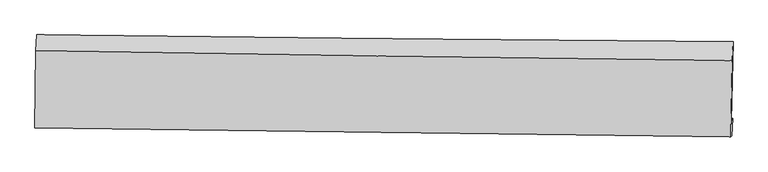
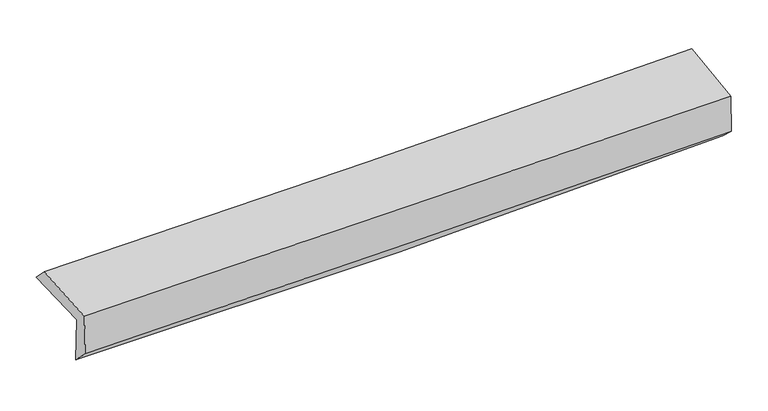
"""IFC4 building model written with IfcOpenShell, lengths in millimetres: proxy geometry."""

from ifc_helpers import new_model, si_unit, frame, origin, place, context, project, spatial, source, transform, mapped, element, save
from ifc_brep_helpers import plane_surface, spline_curve, spline_surface, advanced_brep


def generic_models_ad333e5d(model_context):
    return source(origin(), model_context, "Body", "AdvancedBrep", [
        advanced_brep(
        [(-2986.4954645, -1775.4792115, 1965.8947769), (-2977.3006575, -1110.4551945, 1974.7530528), (2976.7991188, -1170.0144704, 2128.2191814), (2962.4300414, -1847.4501713, 2110.977414), (-2975.5626223, -1735.417847, 1545.4628392), (2972.4896906, -1826.6962006, 1714.8772831), (-2981.872169, -1901.9340202, 1705.7770932), (2965.8634072, -1975.9683756, 1853.7437403), (-2991.1506193, -1906.7814688, 2079.3241935), (2957.1809374, -1986.2303265, 2202.5031011), (-2982.6457068, -1245.1686479, 2114.2059024), (2969.9139724, -1331.1192804, 2267.1094396)],
        [
            (0, 1),
            (1, 2, spline_curve(3, [(-2977.3006575, -1110.4551945, 1974.7530528), (-1984.616076398, -1121.705332968, 1982.402634625), (-992.099543559, -1132.293668533, 1999.016236868), (992.600382633, -1152.146764449, 2050.171559956), (1984.783775363, -1161.411520803, 2084.713333642), (2976.7991188, -1170.0144704, 2128.2191814)], [4, 2, 4], [0.0, 9.767165902559704, 19.534360912022777])),
            (2, 3),
            (3, 0, spline_curve(3, [(2962.4300414, -1847.4501713, 2110.977414), (1971.52718994, -1837.839125088, 2063.317778757), (980.331232852, -1827.036010998, 2027.397740951), (-1002.643937547, -1803.045683948, 1979.036931909), (-1994.423149262, -1789.858478071, 1966.596090667), (-2986.4954645, -1775.4792115, 1965.8947769)], [4, 2, 4], [0.0, 9.767195009463073, 19.534360912022777])),
            (4, 0),
            (3, 5),
            (5, 4, spline_curve(3, [(2972.4896906, -1826.6962006, 1714.8772831), (1982.116592715, -1806.906116177, 1653.382257221), (991.258278212, -1789.404536438, 1608.5168775), (-991.425828741, -1758.978432498, 1552.045495244), (-1983.251618727, -1746.053894151, 1540.439393629), (-2975.5626223, -1735.417847, 1545.4628392)], [4, 2, 4], [0.0, 9.763530065292462, 19.527031034603336])),
            (6, 4),
            (5, 7),
            (7, 6, spline_curve(3, [(2965.8634072, -1975.9683756, 1853.7437403), (1974.713272628, -1964.515512895, 1826.001681283), (983.492835227, -1952.619541995, 1799.800081647), (-999.085690514, -1927.941420576, 1750.477875445), (-1990.443778575, -1915.159273019, 1727.357259003), (-2981.872169, -1901.9340202, 1705.7770932)], [4, 2, 4], [0.0, 9.761955922217718, 19.5238827531449])),
            (8, 6),
            (7, 9),
            (9, 8, spline_curve(3, [(2957.1809374, -1986.2303265, 2202.5031011), (1965.848935755, -1972.028179198, 2183.874240164), (974.487899634, -1958.306358347, 2164.294883839), (-1008.289285824, -1931.823408513, 2123.235242142), (-1999.70543566, -1919.062276798, 2101.754962739), (-2991.1506193, -1906.7814688, 2079.3241935)], [4, 2, 4], [0.0, 9.760633944636378, 19.521238801921804])),
            (10, 8),
            (9, 11),
            (11, 10, spline_curve(3, [(2969.9139724, -1331.1192804, 2267.1094396), (1977.941499425, -1320.18883098, 2233.313924711), (985.907883968, -1307.561040441, 2203.674193013), (-998.278676058, -1278.910819649, 2152.706372331), (-1990.431620439, -1262.888399391, 2131.378258025), (-2982.6457068, -1245.1686479, 2114.2059024)], [4, 2, 4], [0.0, 9.764830112092383, 19.52963112432895])),
            (1, 10),
            (11, 2),
        ],
        [
            spline_surface(3, 3, [[(-2986.4954645, -1775.4792115, 1965.8947769), (-1994.423149108, -1789.85847796, 1966.596090727), (-1002.643937536, -1803.045683959, 1979.036931893), (980.331232841, -1827.036010988, 2027.397740967), (1971.527189909, -1837.839124941, 2063.317778814), (2962.4300414, -1847.4501713, 2110.977414)], [(-2983.430528832, -1553.804539164, 1968.847535535), (-1991.154124897, -1567.140762913, 1971.864938658), (-999.129139594, -1579.461678811, 1985.696700266), (984.420949473, -1602.072928807, 2034.989013909), (1975.94605175, -1612.36325688, 2070.449630367), (2967.219733886, -1621.638271025, 2116.724669797)], [(-2980.365593168, -1332.129866836, 1971.800294165), (-1987.88510069, -1344.423047874, 1977.133786585), (-995.614341629, -1355.877673674, 1992.356468648), (988.510666129, -1377.109846637, 2042.580286859), (1980.364913534, -1386.887388746, 2077.581481929), (2972.009426314, -1395.826370675, 2122.471925603)], [(-2977.3006575, -1110.4551945, 1974.7530528), (-1984.616076479, -1121.705332826, 1982.402634515), (-992.099543687, -1132.293668526, 1999.016237022), (992.600382762, -1152.146764456, 2050.171559801), (1984.783775375, -1161.411520685, 2084.713333482), (2976.7991188, -1170.0144704, 2128.2191814)]], [4, 4], [4, 2, 4], [0.0, 2.2088476791751295], [0.0, 9.767165902559704, 19.534360912022777]),
            spline_surface(3, 3, [[(-2975.5626223, -1735.417847, 1545.4628392), (-1983.251618827, -1746.053894119, 1540.439393585), (-991.425828862, -1758.978432346, 1552.045495275), (991.258278333, -1789.40453659, 1608.516877469), (1982.116592662, -1806.906116196, 1653.382257061), (2972.4896906, -1826.6962006, 1714.8772831)], [(-2979.206903028, -1748.77163517, 1685.60681844), (-1986.975462249, -1760.655422069, 1682.491625972), (-995.165198401, -1773.667516218, 1694.375974149), (987.615929854, -1801.94836139, 1748.14383197), (1978.586791743, -1817.217119088, 1790.027430986), (2969.136474199, -1833.614190811, 1846.910660074)], [(-2982.851183772, -1762.12542333, 1825.75079766), (-1990.699305686, -1775.25695001, 1824.54385834), (-998.904567996, -1788.356600087, 1836.706453018), (983.97358132, -1814.492186187, 1887.770786466), (1975.056990828, -1827.528122048, 1926.672604889), (2965.783257801, -1840.532181089, 1978.944037026)], [(-2986.4954645, -1775.4792115, 1965.8947769), (-1994.423149108, -1789.85847796, 1966.596090727), (-1002.643937536, -1803.045683959, 1979.036931893), (980.331232841, -1827.036010988, 2027.397740967), (1971.527189909, -1837.839124941, 2063.317778814), (2962.4300414, -1847.4501713, 2110.977414)]], [4, 4], [4, 2, 4], [0.0, 1.3945161574820717], [0.0, 9.763500969310874, 19.527031034603336]),
            spline_surface(3, 3, [[(-2981.872169, -1901.9340202, 1705.7770932), (-1990.443778679, -1915.159273158, 1727.357259062), (-999.085690545, -1927.941420737, 1750.477875297), (983.492835259, -1952.619541834, 1799.800081795), (1974.713272555, -1964.515512742, 1826.001681301), (2965.8634072, -1975.9683756, 1853.7437403)], [(-2979.768986788, -1846.428629112, 1652.33900851), (-1988.046392084, -1858.790813457, 1665.05130388), (-996.532403321, -1871.620424612, 1684.333748622), (986.08131628, -1898.214540091, 1736.039013686), (1977.18104592, -1911.979047233, 1768.461873227), (2968.07216833, -1926.210983939, 1807.45492124)], [(-2977.665804512, -1790.923238088, 1598.90092389), (-1985.649005423, -1802.422353819, 1602.745348767), (-993.979116086, -1815.299428471, 1618.18962195), (988.669797312, -1843.809538333, 1672.277945579), (1979.648819297, -1859.442581705, 1710.922065135), (2970.28092947, -1876.453592261, 1761.16610216)], [(-2975.5626223, -1735.417847, 1545.4628392), (-1983.251618827, -1746.053894119, 1540.439393585), (-991.425828862, -1758.978432346, 1552.045495275), (991.258278333, -1789.40453659, 1608.516877469), (1982.116592662, -1806.906116196, 1653.382257061), (2972.4896906, -1826.6962006, 1714.8772831)]], [4, 4], [4, 2, 4], [0.0, 0.8403984714302467], [0.0, 9.761926830927182, 19.5238827531449]),
            spline_surface(3, 3, [[(-2991.1506193, -1906.7814688, 2079.3241935), (-1999.705435603, -1919.062276952, 2101.754962635), (-1008.289285969, -1931.823408577, 2123.235242224), (974.487899779, -1958.306358283, 2164.294883756), (1965.848935695, -1972.028179221, 2183.874240033), (2957.1809374, -1986.2303265, 2202.5031011)], [(-2988.057802505, -1905.165652612, 1954.80849343), (-1996.6182166, -1917.7612757, 1976.955728141), (-1005.221420832, -1930.529412632, 1998.982786572), (977.489544934, -1956.410752802, 2042.796616426), (1968.803714654, -1969.523957061, 2064.583387132), (2960.075094006, -1982.809676199, 2086.249980843)], [(-2984.964985795, -1903.549836388, 1830.29279327), (-1993.530997683, -1916.46027441, 1852.156493556), (-1002.153555682, -1929.235416682, 1874.730330949), (980.491190103, -1954.515147316, 1921.298349125), (1971.758493596, -1967.019734902, 1945.292534202), (2962.969250594, -1979.389025901, 1969.996860557)], [(-2981.872169, -1901.9340202, 1705.7770932), (-1990.443778679, -1915.159273158, 1727.357259062), (-999.085690545, -1927.941420737, 1750.477875297), (983.492835259, -1952.619541834, 1799.800081795), (1974.713272555, -1964.515512742, 1826.001681301), (2965.8634072, -1975.9683756, 1853.7437403)]], [4, 4], [4, 2, 4], [0.0, 1.209873754923924], [0.0, 9.760604857285426, 19.521238801921804]),
            spline_surface(3, 3, [[(-2982.6457068, -1245.1686479, 2114.2059024), (-1990.431620295, -1262.888399318, 2131.378258108), (-998.278676085, -1278.910819574, 2152.706372199), (985.907883994, -1307.561040516, 2203.674193145), (1977.941499554, -1320.18883111, 2233.313924825), (2969.9139724, -1331.1192804, 2267.1094396)], [(-2985.480677659, -1465.706254867, 2102.578666074), (-1993.52289209, -1481.613025197, 2121.503826258), (-1001.615546033, -1496.548349241, 2142.8826622), (982.101222602, -1524.476146438, 2190.547756674), (1973.910644936, -1537.468613824, 2216.834029888), (2965.669627401, -1549.489629111, 2245.573993427)], [(-2988.315648441, -1686.243861833, 2090.951429826), (-1996.614163809, -1700.337651074, 2111.629394485), (-1004.95241602, -1714.18587891, 2133.058952224), (978.294561171, -1741.391252362, 2177.421320227), (1969.879790314, -1754.748396506, 2200.35413497), (2961.425282399, -1767.859977789, 2224.038547273)], [(-2991.1506193, -1906.7814688, 2079.3241935), (-1999.705435603, -1919.062276952, 2101.754962635), (-1008.289285969, -1931.823408577, 2123.235242224), (974.487899779, -1958.306358283, 2164.294883756), (1965.848935695, -1972.028179221, 2183.874240033), (2957.1809374, -1986.2303265, 2202.5031011)]], [4, 4], [4, 2, 4], [0.0, 2.1418153448546606], [0.0, 9.764801012236568, 19.52963112432895]),
            spline_surface(3, 3, [[(-2977.3006575, -1110.4551945, 1974.7530528), (-1984.616076479, -1121.705332826, 1982.402634515), (-992.099543687, -1132.293668526, 1999.016237022), (992.600382762, -1152.146764456, 2050.171559801), (1984.783775375, -1161.411520685, 2084.713333482), (2976.7991188, -1170.0144704, 2128.2191814)], [(-2979.082340588, -1155.359678975, 2021.237336011), (-1986.554591073, -1168.766354998, 2032.061175724), (-994.159254501, -1181.166052206, 2050.2462821), (990.369549825, -1203.951523139, 2101.339104268), (1982.503016747, -1214.337290808, 2134.246863916), (2974.504069979, -1223.716073715, 2174.515934119)], [(-2980.864023712, -1200.264163425, 2067.721619189), (-1988.493105701, -1215.827377146, 2081.719716899), (-996.218965271, -1230.038435895, 2101.476327121), (988.138716932, -1255.756281832, 2152.506648678), (1980.222258183, -1267.263060987, 2183.780394391), (2972.209021221, -1277.417677085, 2220.812686881)], [(-2982.6457068, -1245.1686479, 2114.2059024), (-1990.431620295, -1262.888399318, 2131.378258108), (-998.278676085, -1278.910819574, 2152.706372199), (985.907883994, -1307.561040516, 2203.674193145), (1977.941499554, -1320.18883111, 2233.313924825), (2969.9139724, -1331.1192804, 2267.1094396)]], [4, 4], [4, 2, 4], [0.0, 0.707011623843194], [0.0, 9.77012722296693, 19.540283561662193]),
            plane_surface(frame((2967.4461946, -1689.5798041, 2046.2383599), z_axis=(0.999468083644813, -0.021816648975325405, 0.02424012382090129), x_axis=(0.024876831467972343, 0.029402327735686327, -0.9992580479434916))),
            plane_surface(frame((-2982.5045399, -1612.5393983, 1897.569643), z_axis=(-0.9995961305205839, 0.014148972999515353, -0.02464512956620053), x_axis=(-0.013823730662717557, -0.9998157536249459, -0.013317780368595435))),
        ],
        [
            (0, [[1, 2, 3, 4]]),
            (1, [[5, -4, 6, 7]]),
            (2, [[8, -7, 9, 10]]),
            (3, [[11, -10, 12, 13]]),
            (4, [[14, -13, 15, 16]]),
            (5, [[17, -16, 18, -2]]),
            (6, [[-12, -9, -6, -3, -18, -15]]),
            (7, [[-1, -5, -8, -11, -14, -17]]),
        ],
    ),
    ])


if __name__ == "__main__":
    model = new_model("IFC4")
    model_context = context("Model", 3, world=origin())
    ifc_project = project(units=[si_unit("LENGTHUNIT", "METRE", prefix="MILLI")], contexts=[model_context])
    site = spatial("IfcSite", under=ifc_project)
    building = spatial("IfcBuilding", under=site)
    placement = place(None, origin())
    generic_models_shape = generic_models_ad333e5d(model_context)
    element("IfcBuildingElementProxy", 1, Name="Generic Models", at=placement, inside=building, context=model_context, shape_type="MappedRepresentation", body=[
        mapped(generic_models_shape, transform((0.0, 0.0, 0.0), x_axis=(1.0, 0.0, 0.0), y_axis=(0.0, 1.0, 0.0), z_axis=(0.0, 0.0, 1.0))),
    ])
    save(model, "model.ifc")
